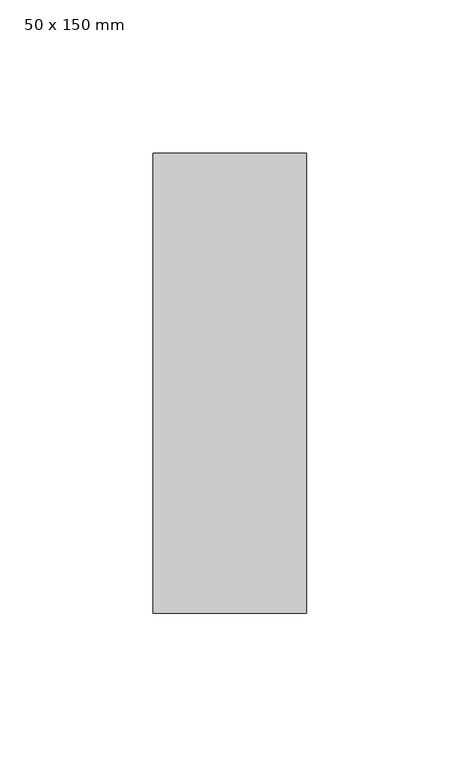
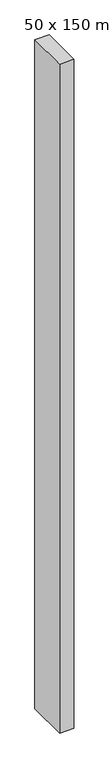
"""IFC4 building model written with IfcOpenShell, lengths in millimetres: member geometry, 50 x 150 mm."""

from ifc_helpers import new_model, si_unit, frame, origin, place, context, project, spatial, polyline, outline, extrude, source, transform, mapped, element, save


def member_50_x_150_mm_50192c50(model_context):
    return source(origin(), model_context, "Body", "SweptSolid", [
        extrude(outline(polyline([(0.0, 75.0), (0.0, -75.0), (-50.0, -75.0), (-50.0, 75.0), (0.0, 75.0)])), frame((0.0, 0.0, -2478.1629157), z_axis=(0.0, 0.0, 1.0), x_axis=(1.0, 0.0, 0.0)), (0.0, 0.0, 1.0), 2478.1629157),
    ])


if __name__ == "__main__":
    model = new_model("IFC4")
    model_context = context("Model", 3, world=origin())
    ifc_project = project(units=[si_unit("LENGTHUNIT", "METRE", prefix="MILLI")], contexts=[model_context])
    site = spatial("IfcSite", under=ifc_project)
    building = spatial("IfcBuilding", under=site)
    placement = place(None, origin())
    member_50_x_150_mm_shape = member_50_x_150_mm_50192c50(model_context)
    element("IfcMember", 1, ObjectType="50 x 150 mm", at=placement, inside=building, context=model_context, shape_type="MappedRepresentation", body=[
        mapped(member_50_x_150_mm_shape, transform((0.0, 0.0, 0.0), x_axis=(1.0, 0.0, 0.0), y_axis=(0.0, 1.0, 0.0), z_axis=(0.0, 0.0, 1.0))),
    ])
    save(model, "model.ifc")
